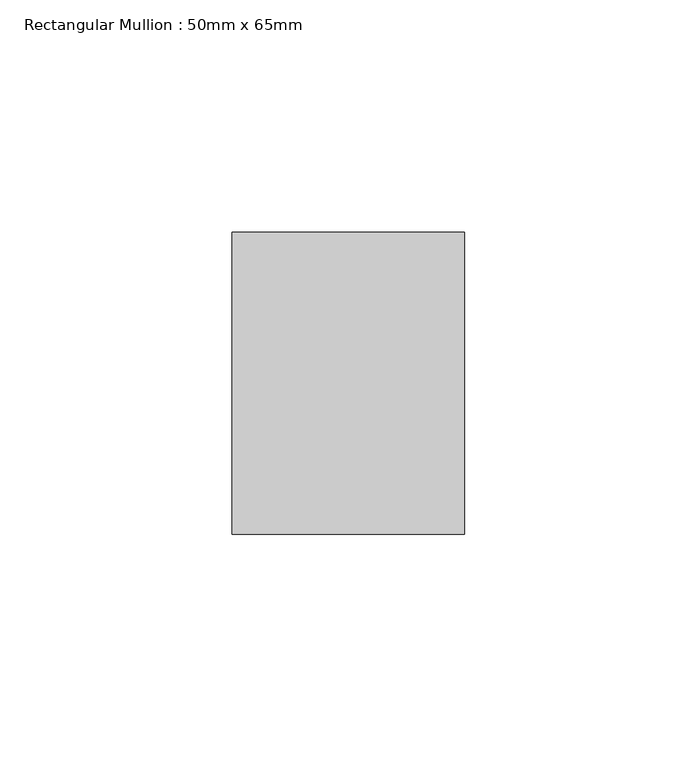
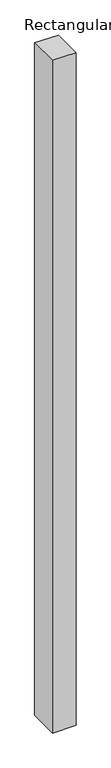
"""IFC4 building model written with IfcOpenShell, lengths in millimetres: member geometry, Rectangular Mullion : 50mm x 65mm."""

import ifcopenshell
import ifcopenshell.guid

model = None  # the IFC model being written
_history = None  # IfcOwnerHistory: only IFC2X3 demands one
_inside = {}  # id of a spatial element -> (the spatial element, [elements in it])
_under = {}  # id of a project, library or spatial element -> (it, [spatial elements below it])
_declared = {}  # id of a project -> (the project, [libraries it declares])
_typed = {}  # id of a type object -> (the type object, [elements of that type])
_made_of = {}  # id of a material, layer set ... -> (it, [elements and type objects made of it])


def new_model(schema):
    """Start an empty IFC model of exactly this schema.

    Asked for "IFC4X3", IfcOpenShell would pick the latest addendum, in which some entities
    have other attributes; the version numbers below select the first issue.
    IFC2X3 requires an IfcOwnerHistory on every rooted entity: one is made here for all.
    """
    global model, _history
    if schema == "IFC4X3":
        model = ifcopenshell.file(schema_version=(4, 3, 0, 0))
    else:
        model = ifcopenshell.file(schema=schema)
    _inside.clear()
    _under.clear()
    _declared.clear()
    _typed.clear()
    _made_of.clear()
    _history = None
    if model.schema == "IFC2X3":
        org = make("IfcOrganization", Name="unknown")
        user = make(
            "IfcPersonAndOrganization",
            ThePerson=make("IfcPerson", FamilyName="unknown"),
            TheOrganization=org,
        )
        app = make(
            "IfcApplication",
            ApplicationDeveloper=org,
            Version="unknown",
            ApplicationFullName="unknown",
            ApplicationIdentifier="unknown",
        )
        _history = make(
            "IfcOwnerHistory",
            OwningUser=user,
            OwningApplication=app,
            ChangeAction="ADDED",
            CreationDate=0,
        )
    return model


def make(cls, **values):
    """One entity of the class cls with the attributes given. An attribute that is None is left unset."""
    return model.create_entity(
        cls, **{name: value for name, value in values.items() if value is not None}
    )


def rooted(cls, **values):
    """An entity with a GlobalId (a new one), such as an element, a storey or a relation."""
    return make(cls, GlobalId=ifcopenshell.guid.new(), OwnerHistory=_history, **values)


def si_unit(unit_type, name, prefix=None):
    """IfcSIUnit, for example si_unit("LENGTHUNIT", "METRE", prefix="MILLI")."""
    return make("IfcSIUnit", UnitType=unit_type, Prefix=prefix, Name=name)


def assignment(units):
    """IfcUnitAssignment: the units of a project."""
    return None if units is None else make("IfcUnitAssignment", Units=units)


def point(xyz):
    """IfcCartesianPoint."""
    return None if xyz is None else make("IfcCartesianPoint", Coordinates=xyz)


def direction(xyz):
    """IfcDirection."""
    return None if xyz is None else make("IfcDirection", DirectionRatios=xyz)


def frame(location, z_axis=None, x_axis=None):
    """IfcAxis2Placement3D, a coordinate frame: its origin and axes. An axis left out is left unset."""
    return make(
        "IfcAxis2Placement3D",
        Location=point(location),
        Axis=direction(z_axis),
        RefDirection=direction(x_axis),
    )


def origin():
    """The frame at (0, 0, 0) with its axes left unset."""
    return frame((0.0, 0.0, 0.0))


def place(relative_to, where):
    """IfcLocalPlacement: puts the frame where relative to a parent placement (None: the world)."""
    return make(
        "IfcLocalPlacement", PlacementRelTo=relative_to, RelativePlacement=where
    )


def context(
    kind, dimensions, precision=None, world=None, true_north=None, identifier=None
):
    """IfcGeometricRepresentationContext, for example the 3D "Model" context."""
    return make(
        "IfcGeometricRepresentationContext",
        ContextIdentifier=identifier,
        ContextType=kind,
        CoordinateSpaceDimension=dimensions,
        Precision=precision,
        WorldCoordinateSystem=world,
        TrueNorth=true_north,
    )


def project(units=None, contexts=None):
    """IfcProject with its units and contexts."""
    return rooted(
        "IfcProject",
        Name="project",
        RepresentationContexts=contexts,
        UnitsInContext=assignment(units),
    )


def spatial(cls, under=None, at=None, **own):
    """A site, building, storey or space (cls), placed at a placement, below another one or the project."""
    s = rooted(cls, ObjectPlacement=at, **own)
    if under is not None:
        _under.setdefault(under.id(), (under, []))[1].append(s)
    return s


def faces_of(points, faces, orient=None, outer=None):
    """IfcFace entities. A face is a list of loops; a loop is a list of indices into points, from 0.

    orient and outer hold one flag for each loop. By default every Orientation is true, the
    first loop of a face is its IfcFaceOuterBound and the others are IfcFaceBound.
    """
    made = []
    for i, loops in enumerate(faces):
        bounds = []
        for j, loop in enumerate(loops):
            is_outer = j == 0 if outer is None else outer[i][j]
            bounds.append(
                make(
                    "IfcFaceOuterBound" if is_outer else "IfcFaceBound",
                    Bound=make("IfcPolyLoop", Polygon=[points[k] for k in loop]),
                    Orientation=True if orient is None else orient[i][j],
                )
            )
        made.append(make("IfcFace", Bounds=bounds))
    return made


def faceted_brep(points, faces, orient=None, outer=None, voids=None):
    """IfcFacetedBrep: a solid bounded by flat faces; with voids (closed shells), ...WithVoids."""
    shared = [point(p) for p in points]
    hull = make("IfcClosedShell", CfsFaces=faces_of(shared, faces, orient, outer))
    if voids is None:
        return make("IfcFacetedBrep", Outer=hull)
    return make(
        "IfcFacetedBrepWithVoids",
        Outer=hull,
        Voids=[
            make(cls, CfsFaces=faces_of(shared, fs, o, b)) for cls, fs, o, b in voids
        ],
    )


def shape(context_of_items, identifier, shape_type, items):
    """IfcShapeRepresentation: the items that make up one representation, for example the "Body"."""
    return make(
        "IfcShapeRepresentation",
        ContextOfItems=context_of_items,
        RepresentationIdentifier=identifier,
        RepresentationType=shape_type,
        Items=items,
    )


def source(mapping_origin, context_of_items, identifier, shape_type, items):
    """IfcRepresentationMap: a shape defined once, which mapped items show again and again."""
    return make(
        "IfcRepresentationMap",
        MappingOrigin=mapping_origin,
        MappedRepresentation=shape(context_of_items, identifier, shape_type, items),
    )


def transform(
    local_origin,
    x_axis=None,
    y_axis=None,
    z_axis=None,
    scale=None,
    scale2=None,
    scale3=None,
    uniform=True,
):
    """IfcCartesianTransformationOperator3D, or its non-uniform kind. x_axis, y_axis, z_axis: its Axis1, 2, 3."""
    if uniform:
        return make(
            "IfcCartesianTransformationOperator3D",
            Axis1=direction(x_axis),
            Axis2=direction(y_axis),
            LocalOrigin=point(local_origin),
            Scale=scale,
            Axis3=direction(z_axis),
        )
    return make(
        "IfcCartesianTransformationOperator3DnonUniform",
        Axis1=direction(x_axis),
        Axis2=direction(y_axis),
        LocalOrigin=point(local_origin),
        Scale=scale,
        Axis3=direction(z_axis),
        Scale2=scale2,
        Scale3=scale3,
    )


def mapped(mapping_source, mapping_target):
    """IfcMappedItem: shows the shape of a source again, moved by a transform."""
    return make(
        "IfcMappedItem", MappingSource=mapping_source, MappingTarget=mapping_target
    )


def made_of(thing, what):
    """Note that an element or type object is made of a material, layer set ...; save() writes the relation."""
    if what is not None:
        _made_of.setdefault(what.id(), (what, []))[1].append(thing)
    return thing


def element(
    cls,
    number,
    at=None,
    inside=None,
    cuts=None,
    type_object=None,
    material=None,
    context=None,
    identifier="Body",
    shape_type=None,
    held_by="IfcProductDefinitionShape",
    body=None,
    shapes=None,
    **own,
):
    """One element of the class cls, such as IfcWall. Its Tag is "e" and its number.

    at: its placement. inside: the storey or other place that contains it. cuts: it is an
    opening in that element (IfcRelVoidsElement). A single representation is given by context,
    identifier, shape_type and body (its items); several are given by shapes. held_by: the class
    of the entity that holds the representations. save() writes the other relations.
    """
    e = rooted(cls, Tag="e%d" % number, ObjectPlacement=at, **own)
    if body is not None:
        shapes = [shape(context, identifier, shape_type, body)]
    if shapes is not None:
        e.Representation = make(held_by, Representations=shapes)
    if inside is not None:
        _inside.setdefault(inside.id(), (inside, []))[1].append(e)
    if cuts is not None:
        rooted(
            "IfcRelVoidsElement", RelatingBuildingElement=cuts, RelatedOpeningElement=e
        )
    if type_object is not None:
        _typed.setdefault(type_object.id(), (type_object, []))[1].append(e)
    return made_of(e, material)


def aggregate(whole, parts):
    """IfcRelAggregates: a whole, such as a stair, and the parts it consists of."""
    return rooted("IfcRelAggregates", RelatingObject=whole, RelatedObjects=parts)


def save(model, path):
    """Write the relations noted so far, then the file.

    IfcRelAggregates (storeys below a building ...), IfcRelContainedInSpatialStructure (elements
    in a storey), IfcRelDefinesByType, IfcRelAssociatesMaterial and IfcRelDeclares: one each for
    every whole, place, type object, material and project.
    """
    for whole, parts in _under.values():
        aggregate(whole, parts)
    for where, things in _inside.values():
        rooted(
            "IfcRelContainedInSpatialStructure",
            RelatedElements=things,
            RelatingStructure=where,
        )
    for kind, things in _typed.values():
        rooted("IfcRelDefinesByType", RelatedObjects=things, RelatingType=kind)
    for what, things in _made_of.values():
        rooted("IfcRelAssociatesMaterial", RelatedObjects=things, RelatingMaterial=what)
    for by, libraries in _declared.values():
        rooted("IfcRelDeclares", RelatingContext=by, RelatedDefinitions=libraries)
    model.write(path)


def rectangular_mullion_50mm_x_65mm_bf880754(model_context):
    return source(origin(), model_context, "Body", "Brep", [
        faceted_brep([(-25.0, 32.5, -0.2664482), (25.0, 32.5, -0.2664466), (25.0, 32.5, -1499.6464134), (-25.0, 32.5, -1499.6464114), (-25.0, -32.5, 0.2664466), (-25.0, -32.5, -1500.3537515), (25.0, -32.5, 0.2664482), (25.0, -32.5, -1500.3537536)], [[[0, 1, 2, 3]], [[4, 0, 3, 5]], [[6, 4, 5, 7]], [[1, 6, 7, 2]], [[1, 0, 4, 6]], [[2, 7, 5, 3]]]),
    ])


if __name__ == "__main__":
    model = new_model("IFC4")
    model_context = context("Model", 3, world=origin())
    ifc_project = project(units=[si_unit("LENGTHUNIT", "METRE", prefix="MILLI")], contexts=[model_context])
    site = spatial("IfcSite", under=ifc_project)
    building = spatial("IfcBuilding", under=site)
    placement = place(None, origin())
    rectangular_mullion_50mm_x_65mm_shape = rectangular_mullion_50mm_x_65mm_bf880754(model_context)
    element("IfcMember", 1, ObjectType="Rectangular Mullion : 50mm x 65mm", at=placement, inside=building, context=model_context, shape_type="MappedRepresentation", body=[
        mapped(rectangular_mullion_50mm_x_65mm_shape, transform((0.0, 0.0, 0.0), x_axis=(1.0, 0.0, 0.0), y_axis=(0.0, 1.0, 0.0), z_axis=(0.0, 0.0, 1.0))),
    ])
    save(model, "model.ifc")
